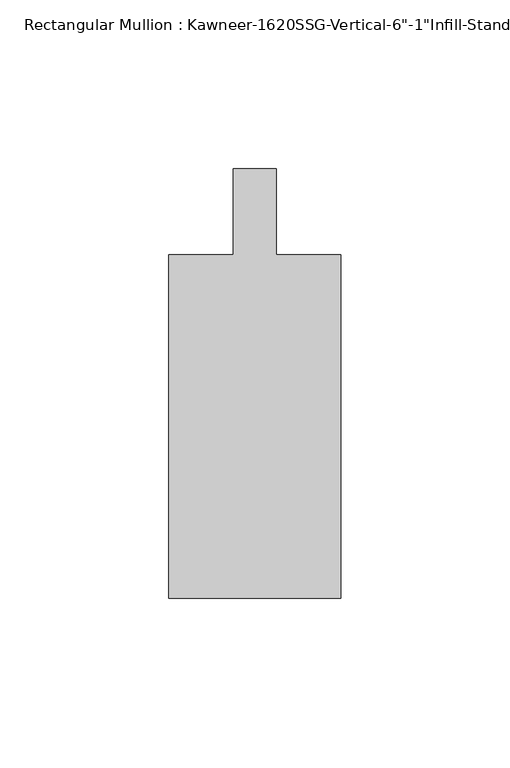
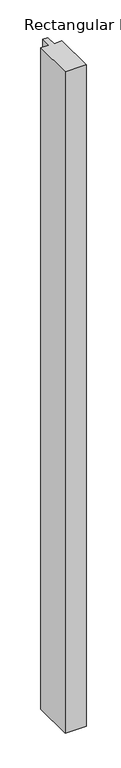
"""IFC4 building model written with IfcOpenShell, lengths in millimetres: member geometry."""

from ifc_helpers import new_model, si_unit, frame, origin, place, context, project, spatial, polyline, outline, extrude, source, transform, mapped, element, save


def member_b017ee28(model_context):
    return source(origin(), model_context, "Body", "SweptSolid", [
        extrude(outline(polyline([(25.4, -114.3), (-25.4, -114.3), (-25.4, -12.7), (-6.35, -12.7), (-6.35, 12.7), (6.35, 12.7), (6.35, -12.7), (25.4, -12.7), (25.4, -114.3)])), frame((0.0, 0.0, -1695.45), z_axis=(0.0, 0.0, 1.0), x_axis=(1.0, 0.0, 0.0)), (0.0, 0.0, 1.0), 1695.45),
    ])


if __name__ == "__main__":
    model = new_model("IFC4")
    model_context = context("Model", 3, world=origin())
    ifc_project = project(units=[si_unit("LENGTHUNIT", "METRE", prefix="MILLI")], contexts=[model_context])
    site = spatial("IfcSite", under=ifc_project)
    building = spatial("IfcBuilding", under=site)
    placement = place(None, origin())
    member_shape = member_b017ee28(model_context)
    element("IfcMember", 1, ObjectType="Rectangular Mullion : Kawneer-1620SSG-Vertical-6\"-1\"Infill-Standard", at=placement, inside=building, context=model_context, shape_type="MappedRepresentation", body=[
        mapped(member_shape, transform((0.0, 0.0, 0.0), x_axis=(1.0, 0.0, 0.0), y_axis=(0.0, 1.0, 0.0), z_axis=(0.0, 0.0, 1.0))),
    ])
    save(model, "model.ifc")
